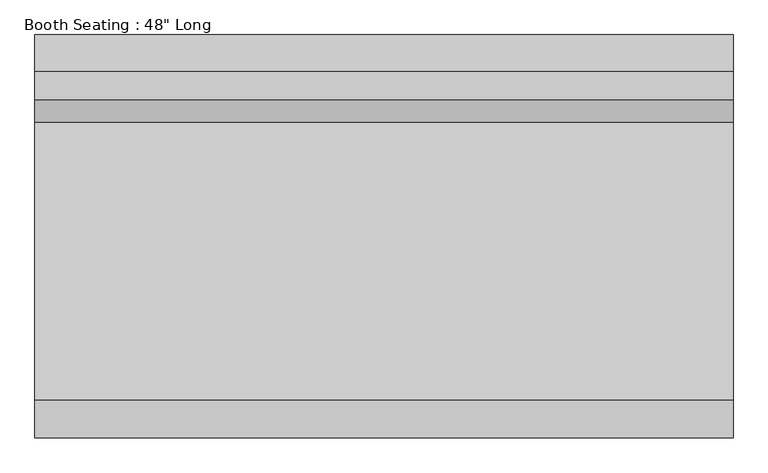
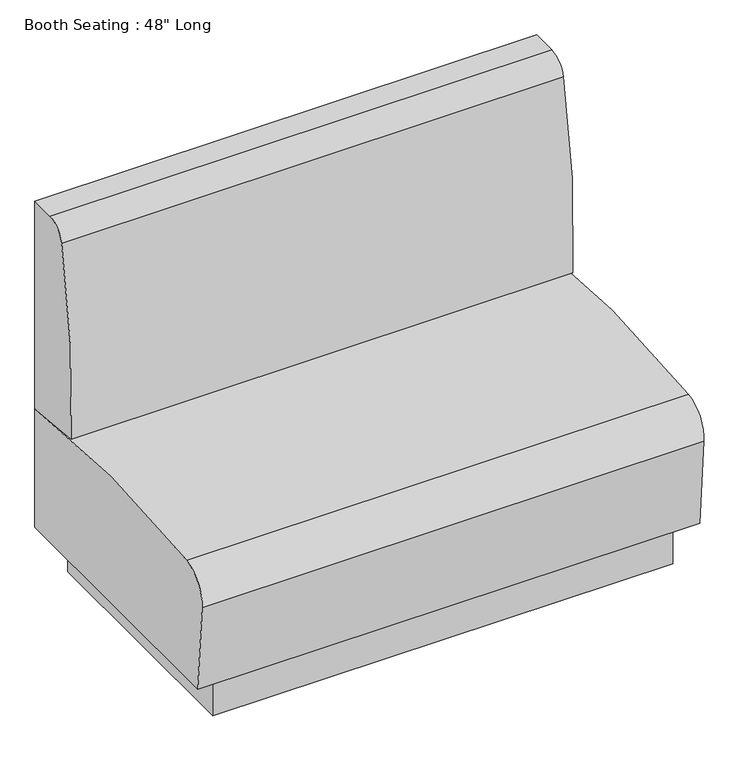
"""IFC4 building model written with IfcOpenShell, lengths in millimetres: furniture geometry."""

from ifc_helpers import new_model, si_unit, point, frame, frame_2d, origin, origin_with_axes, place, context, project, spatial, polyline, circle_curve, trimmed, segment, composite_curve, outline, extrude, source, transform, mapped, element, save


def furniture_d1b250fd(model_context):
    return source(origin(), model_context, "Body", "SweptSolid", [
        extrude(outline(composite_curve([segment(polyline([(355.6, 939.8), (355.6, 406.4), (203.2, 420.809063)]), True, "CONTINUOUS"), segment(trimmed(circle_curve(frame_2d((1896.6191414, 522.5154157)), 1696.4706218), [point((203.2, 420.809063))], [point((242.7504703, 900.3129667))], False, "CARTESIAN"), True, "CONTINUOUS"), segment(trimmed(circle_curve(frame_2d((292.2747753, 889.0)), 50.8), [point((242.7504703, 900.3129667))], [point((292.2747753, 939.8))], False, "CARTESIAN"), True, "CONTINUOUS"), segment(polyline([(292.2747753, 939.8), (355.6, 939.8)]), True, "CONTINUOUS")], self_intersect=False)), frame((-609.6, 0.0, 0.0), z_axis=(1.0, 0.0, 0.0), x_axis=(0.0, 1.0, 0.0)), (0.0, 0.0, 1.0), 1219.2),
        extrude(outline(composite_curve([segment(trimmed(circle_curve(frame_2d((-272.6641824, 328.7396957)), 76.2), [point((-348.6009692, 322.4116302))], [point((-282.6626275, 404.2808838))], False, "CARTESIAN"), True, "CONTINUOUS"), segment(trimmed(circle_curve(frame_2d((44.6835428, -2068.9155338)), 2494.7657275), [point((-282.6626275, 404.2808838))], [point((355.6, 406.4))], False, "CARTESIAN"), True, "CONTINUOUS"), segment(polyline([(355.6, 406.4), (355.6, 101.6), (-330.2, 101.6), (-348.6009692, 322.4116302)]), True, "CONTINUOUS")], self_intersect=False)), frame((-609.6, 0.0, 0.0), z_axis=(1.0, 0.0, 0.0), x_axis=(0.0, 1.0, 0.0)), (0.0, 0.0, 1.0), 1219.2),
        extrude(outline(polyline([(558.8, 304.8), (558.8, -304.8), (-558.8, -304.8), (-558.8, 304.8), (558.8, 304.8)])), origin_with_axes(), (0.0, 0.0, 1.0), 101.6),
    ])


if __name__ == "__main__":
    model = new_model("IFC4")
    model_context = context("Model", 3, world=origin())
    ifc_project = project(units=[si_unit("LENGTHUNIT", "METRE", prefix="MILLI")], contexts=[model_context])
    site = spatial("IfcSite", under=ifc_project)
    building = spatial("IfcBuilding", under=site)
    placement = place(None, origin())
    furniture_shape = furniture_d1b250fd(model_context)
    element("IfcFurniture", 1, ObjectType="Booth Seating : 48\" Long", at=placement, inside=building, context=model_context, shape_type="MappedRepresentation", body=[
        mapped(furniture_shape, transform((0.0, 0.0, 0.0), x_axis=(1.0, 0.0, 0.0), y_axis=(0.0, 1.0, 0.0), z_axis=(0.0, 0.0, 1.0))),
    ])
    save(model, "model.ifc")
